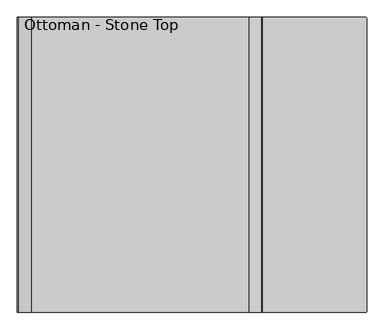
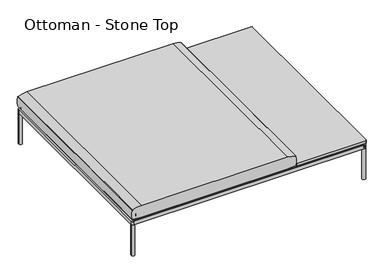
"""IFC4 building model written with IfcOpenShell, lengths in millimetres: furniture geometry, Ottoman - Stone Top."""

from ifc_helpers import new_model, si_unit, point, frame, frame_2d, origin, origin_with_axes, place, context, project, spatial, polyline, circle_curve, trimmed, segment, composite_curve, outline, extrude, source, transform, mapped, element, save
from ifc_brep_helpers import plane_surface, cylinder_surface, advanced_brep


def ottoman_stone_top_fe8f8da9(model_context):
    return source(origin(), model_context, "Body", "SolidModel", [
        extrude(outline(composite_curve([segment(trimmed(circle_curve(frame_2d((492.2547118, 255.27)), 2.54), [point((492.2547118, 257.81))], [point((494.7947118, 255.27))], False, "CARTESIAN"), True, "CONTINUOUS"), segment(polyline([(494.7947118, 255.27), (494.7947118, -839.47)]), True, "CONTINUOUS"), segment(trimmed(circle_curve(frame_2d((492.2547118, -839.47)), 2.54), [point((494.7947118, -839.47))], [point((492.2547118, -842.01))], False, "CARTESIAN"), True, "CONTINUOUS"), segment(polyline([(492.2547118, -842.01), (108.7147118, -842.01)]), True, "CONTINUOUS"), segment(trimmed(circle_curve(frame_2d((108.7147118, -839.47)), 2.54), [point((108.7147118, -842.01))], [point((106.1747118, -839.47))], False, "CARTESIAN"), True, "CONTINUOUS"), segment(polyline([(106.1747118, -839.47), (106.1747118, 255.27)]), True, "CONTINUOUS"), segment(trimmed(circle_curve(frame_2d((108.7147118, 255.27)), 2.54), [point((106.1747118, 255.27))], [point((108.7147118, 257.81))], False, "CARTESIAN"), True, "CONTINUOUS"), segment(polyline([(108.7147118, 257.81), (492.2547118, 257.81)]), True, "CONTINUOUS")], self_intersect=False)), frame((0.0, 0.0, 210.5022953), z_axis=(0.0, 0.0, 1.0), x_axis=(1.0, 0.0, 0.0)), (0.0, 0.0, 1.0), 15.2403071),
        extrude(outline(composite_curve([segment(trimmed(circle_curve(frame_2d((196.9469907, 169.6010815)), 4.010989), [point((192.9360018, 169.6010815))], [point((200.9579797, 169.6010815))], False, "CARTESIAN"), True, "CONTINUOUS"), segment(trimmed(circle_curve(frame_2d((196.9469907, 169.6010815)), 4.010989), [point((200.9579797, 169.6010815))], [point((192.9360018, 169.6010815))], False, "CARTESIAN"), True, "CONTINUOUS")], self_intersect=False)), frame((0.0, 0.0, 170.7645404), z_axis=(0.0, 0.0, 1.0), x_axis=(1.0, 0.0, 0.0)), (0.0, 0.0, 1.0), 38.5977894),
        extrude(outline(composite_curve([segment(trimmed(circle_curve(frame_2d((-3.1055663, 169.5794929)), 4.010989), [point((-7.1165553, 169.5794929))], [point((0.9054227, 169.5794929))], False, "CARTESIAN"), True, "CONTINUOUS"), segment(trimmed(circle_curve(frame_2d((-3.1055663, 169.5794929)), 4.010989), [point((0.9054227, 169.5794929))], [point((-7.1165553, 169.5794929))], False, "CARTESIAN"), True, "CONTINUOUS")], self_intersect=False)), frame((0.0, 0.0, 170.7645404), z_axis=(0.0, 0.0, 1.0), x_axis=(1.0, 0.0, 0.0)), (0.0, 0.0, 1.0), 38.5977894),
        extrude(outline(composite_curve([segment(trimmed(circle_curve(frame_2d((-3.1055663, -754.4437022)), 4.010989), [point((-7.1165553, -754.4437022))], [point((0.9054227, -754.4437022))], False, "CARTESIAN"), True, "CONTINUOUS"), segment(trimmed(circle_curve(frame_2d((-3.1055663, -754.4437022)), 4.010989), [point((0.9054227, -754.4437022))], [point((-7.1165553, -754.4437022))], False, "CARTESIAN"), True, "CONTINUOUS")], self_intersect=False)), frame((0.0, 0.0, 170.7645404), z_axis=(0.0, 0.0, 1.0), x_axis=(1.0, 0.0, 0.0)), (0.0, 0.0, 1.0), 38.5977894),
        extrude(outline(composite_curve([segment(trimmed(circle_curve(frame_2d((196.9593077, -754.4437022)), 4.010989), [point((192.9483187, -754.4437022))], [point((200.9702967, -754.4437022))], False, "CARTESIAN"), True, "CONTINUOUS"), segment(trimmed(circle_curve(frame_2d((196.9593077, -754.4437022)), 4.010989), [point((200.9702967, -754.4437022))], [point((192.9483187, -754.4437022))], False, "CARTESIAN"), True, "CONTINUOUS")], self_intersect=False)), frame((0.0, 0.0, 170.7645404), z_axis=(0.0, 0.0, 1.0), x_axis=(1.0, 0.0, 0.0)), (0.0, 0.0, 1.0), 38.5977894),
        extrude(outline(composite_curve([segment(trimmed(circle_curve(frame_2d((196.9469907, -754.4095964)), 9.4611539), [point((187.4858368, -754.4095964))], [point((206.4081446, -754.4095964))], False, "CARTESIAN"), True, "CONTINUOUS"), segment(trimmed(circle_curve(frame_2d((196.9469907, -754.4095964)), 9.4611539), [point((206.4081446, -754.4095964))], [point((187.4858368, -754.4095964))], False, "CARTESIAN"), True, "CONTINUOUS")], self_intersect=False)), frame((0.0, 0.0, 200.6638055), z_axis=(0.0, 0.0, 1.0), x_axis=(1.0, 0.0, 0.0)), (0.0, 0.0, 1.0), 5.2496237),
        extrude(outline(composite_curve([segment(trimmed(circle_curve(frame_2d((-3.0530108, -754.3457503)), 9.4611539), [point((-12.5141647, -754.3457503))], [point((6.4081431, -754.3457503))], False, "CARTESIAN"), True, "CONTINUOUS"), segment(trimmed(circle_curve(frame_2d((-3.0530108, -754.3457503)), 9.4611539), [point((6.4081431, -754.3457503))], [point((-12.5141647, -754.3457503))], False, "CARTESIAN"), True, "CONTINUOUS")], self_intersect=False)), frame((0.0, 0.0, 200.6638055), z_axis=(0.0, 0.0, 1.0), x_axis=(1.0, 0.0, 0.0)), (0.0, 0.0, 1.0), 5.2496237),
        extrude(outline(composite_curve([segment(trimmed(circle_curve(frame_2d((-3.0530108, 169.6649276)), 9.4611539), [point((-12.5141647, 169.6649276))], [point((6.4081431, 169.6649276))], False, "CARTESIAN"), True, "CONTINUOUS"), segment(trimmed(circle_curve(frame_2d((-3.0530108, 169.6649276)), 9.4611539), [point((6.4081431, 169.6649276))], [point((-12.5141647, 169.6649276))], False, "CARTESIAN"), True, "CONTINUOUS")], self_intersect=False)), frame((0.0, 0.0, 200.6638055), z_axis=(0.0, 0.0, 1.0), x_axis=(1.0, 0.0, 0.0)), (0.0, 0.0, 1.0), 5.2496237),
        extrude(outline(composite_curve([segment(trimmed(circle_curve(frame_2d((196.9469907, 169.6649276)), 9.4611539), [point((187.4858368, 169.6649276))], [point((206.4081446, 169.6649276))], False, "CARTESIAN"), True, "CONTINUOUS"), segment(trimmed(circle_curve(frame_2d((196.9469907, 169.6649276)), 9.4611539), [point((206.4081446, 169.6649276))], [point((187.4858368, 169.6649276))], False, "CARTESIAN"), True, "CONTINUOUS")], self_intersect=False)), frame((0.0, 0.0, 200.6638055), z_axis=(0.0, 0.0, 1.0), x_axis=(1.0, 0.0, 0.0)), (0.0, 0.0, 1.0), 5.2496237),
        extrude(outline(composite_curve([segment(trimmed(circle_curve(frame_2d((196.9469907, -754.4095964)), 9.4611539), [point((187.4858368, -754.4095964))], [point((206.4081446, -754.4095964))], False, "CARTESIAN"), True, "CONTINUOUS"), segment(trimmed(circle_curve(frame_2d((196.9469907, -754.4095964)), 9.4611539), [point((206.4081446, -754.4095964))], [point((187.4858368, -754.4095964))], False, "CARTESIAN"), True, "CONTINUOUS")], self_intersect=False)), frame((0.0, 0.0, 175.5804905), z_axis=(0.0, 0.0, 1.0), x_axis=(1.0, 0.0, 0.0)), (0.0, 0.0, 1.0), 5.2496237),
        extrude(outline(composite_curve([segment(trimmed(circle_curve(frame_2d((-3.0530108, -754.3457503)), 9.4611539), [point((-12.5141647, -754.3457503))], [point((6.4081431, -754.3457503))], False, "CARTESIAN"), True, "CONTINUOUS"), segment(trimmed(circle_curve(frame_2d((-3.0530108, -754.3457503)), 9.4611539), [point((6.4081431, -754.3457503))], [point((-12.5141647, -754.3457503))], False, "CARTESIAN"), True, "CONTINUOUS")], self_intersect=False)), frame((0.0, 0.0, 175.5804905), z_axis=(0.0, 0.0, 1.0), x_axis=(1.0, 0.0, 0.0)), (0.0, 0.0, 1.0), 5.2496237),
        extrude(outline(composite_curve([segment(trimmed(circle_curve(frame_2d((-3.0530108, 169.6649276)), 9.4611539), [point((-12.5141647, 169.6649276))], [point((6.4081431, 169.6649276))], False, "CARTESIAN"), True, "CONTINUOUS"), segment(trimmed(circle_curve(frame_2d((-3.0530108, 169.6649276)), 9.4611539), [point((6.4081431, 169.6649276))], [point((-12.5141647, 169.6649276))], False, "CARTESIAN"), True, "CONTINUOUS")], self_intersect=False)), frame((0.0, 0.0, 175.5804905), z_axis=(0.0, 0.0, 1.0), x_axis=(1.0, 0.0, 0.0)), (0.0, 0.0, 1.0), 5.2496237),
        extrude(outline(composite_curve([segment(trimmed(circle_curve(frame_2d((196.9469907, 169.6649276)), 9.4611539), [point((187.4858368, 169.6649276))], [point((206.4081446, 169.6649276))], False, "CARTESIAN"), True, "CONTINUOUS"), segment(trimmed(circle_curve(frame_2d((196.9469907, 169.6649276)), 9.4611539), [point((206.4081446, 169.6649276))], [point((187.4858368, 169.6649276))], False, "CARTESIAN"), True, "CONTINUOUS")], self_intersect=False)), frame((0.0, 0.0, 175.5804905), z_axis=(0.0, 0.0, 1.0), x_axis=(1.0, 0.0, 0.0)), (0.0, 0.0, 1.0), 5.2496237),
        extrude(outline(composite_curve([segment(trimmed(circle_curve(frame_2d((196.7916573, 122.4736534)), 36.0166924), [point((212.7435269, 154.7651382))], [point((180.8397877, 154.7651382))], True, "CARTESIAN"), True, "CONTINUOUS"), segment(trimmed(circle_curve(frame_2d((180.5081653, 155.6702968)), 0.9639946), [point((180.8397877, 154.7651382))], [point((179.7634816, 155.0581436))], False, "CARTESIAN"), True, "CONTINUOUS"), segment(trimmed(circle_curve(frame_2d((199.6873534, 171.4361863)), 25.79149), [point((179.7634816, 155.0581436))], [point((175.5416164, 162.3706285))], False, "CARTESIAN"), True, "CONTINUOUS"), segment(trimmed(circle_curve(frame_2d((176.4514144, 162.7122137)), 0.971809), [point((175.5416164, 162.3706285))], [point((175.9386844, 163.5377564))], False, "CARTESIAN"), True, "CONTINUOUS"), segment(trimmed(circle_curve(frame_2d((156.3690008, 193.1030042)), 35.4552732), [point((175.9386844, 163.5377564))], [point((191.7580983, 190.9377849))], True, "CARTESIAN"), True, "CONTINUOUS"), segment(trimmed(circle_curve(frame_2d((192.7780635, 190.8643155)), 1.0226079), [point((191.7580983, 190.9377849))], [point((192.5690953, 191.8653446))], False, "CARTESIAN"), True, "CONTINUOUS"), segment(trimmed(circle_curve(frame_2d((196.7916573, 171.6378378)), 20.6635442), [point((192.5690953, 191.8653446))], [point((201.0142193, 191.8653446))], False, "CARTESIAN"), True, "CONTINUOUS"), segment(trimmed(circle_curve(frame_2d((200.805337, 190.8647274)), 1.0221871), [point((201.0142193, 191.8653446))], [point((201.8248918, 190.9380379))], False, "CARTESIAN"), True, "CONTINUOUS"), segment(trimmed(circle_curve(frame_2d((237.9646471, 193.536646)), 36.2330605), [point((201.8248918, 190.9380379))], [point((217.6443089, 163.5380039))], True, "CARTESIAN"), True, "CONTINUOUS"), segment(trimmed(circle_curve(frame_2d((217.0702859, 162.6905815)), 1.0235365), [point((217.6443089, 163.5380039))], [point((218.045337, 162.3792898))], False, "CARTESIAN"), True, "CONTINUOUS"), segment(trimmed(circle_curve(frame_2d((194.579629, 171.0425348)), 25.0138214), [point((218.045337, 162.3792898))], [point((213.8150733, 155.0522582))], False, "CARTESIAN"), True, "CONTINUOUS"), segment(trimmed(circle_curve(frame_2d((213.115827, 155.518788)), 0.8405923), [point((213.8150733, 155.0522582))], [point((212.7435269, 154.7651382))], False, "CARTESIAN"), True, "CONTINUOUS")], self_intersect=False)), frame((0.0, 0.0, 165.7894444), z_axis=(0.0, 0.0, 1.0), x_axis=(1.0, 0.0, 0.0)), (0.0, 0.0, 1.0), 9.7910462),
        extrude(outline(composite_curve([segment(trimmed(circle_curve(frame_2d((-3.0530108, 122.2288136)), 36.0166924), [point((12.8988588, 154.5202984))], [point((-19.0048804, 154.5202984))], True, "CARTESIAN"), True, "CONTINUOUS"), segment(trimmed(circle_curve(frame_2d((-19.3365028, 155.425457)), 0.9639946), [point((-19.0048804, 154.5202984))], [point((-20.0811865, 154.8133038))], False, "CARTESIAN"), True, "CONTINUOUS"), segment(trimmed(circle_curve(frame_2d((-0.1573146, 171.1913465)), 25.79149), [point((-20.0811865, 154.8133038))], [point((-24.3030517, 162.1257887))], False, "CARTESIAN"), True, "CONTINUOUS"), segment(trimmed(circle_curve(frame_2d((-23.3932537, 162.4673739)), 0.971809), [point((-24.3030517, 162.1257887))], [point((-23.9059837, 163.2929166))], False, "CARTESIAN"), True, "CONTINUOUS"), segment(trimmed(circle_curve(frame_2d((-43.4756673, 192.8581644)), 35.4552732), [point((-23.9059837, 163.2929166))], [point((-8.0865698, 190.6929451))], True, "CARTESIAN"), True, "CONTINUOUS"), segment(trimmed(circle_curve(frame_2d((-7.0666045, 190.6194757)), 1.0226079), [point((-8.0865698, 190.6929451))], [point((-7.2755728, 191.6205048))], False, "CARTESIAN"), True, "CONTINUOUS"), segment(trimmed(circle_curve(frame_2d((-3.0530108, 171.392998)), 20.6635442), [point((-7.2755728, 191.6205048))], [point((1.1695512, 191.6205048))], False, "CARTESIAN"), True, "CONTINUOUS"), segment(trimmed(circle_curve(frame_2d((0.960669, 190.6198877)), 1.0221871), [point((1.1695512, 191.6205048))], [point((1.9802238, 190.6931981))], False, "CARTESIAN"), True, "CONTINUOUS"), segment(trimmed(circle_curve(frame_2d((38.119979, 193.2918062)), 36.2330605), [point((1.9802238, 190.6931981))], [point((17.7996408, 163.2931641))], True, "CARTESIAN"), True, "CONTINUOUS"), segment(trimmed(circle_curve(frame_2d((17.2256179, 162.4457417)), 1.0235365), [point((17.7996408, 163.2931641))], [point((18.2006689, 162.13445))], False, "CARTESIAN"), True, "CONTINUOUS"), segment(trimmed(circle_curve(frame_2d((-5.265039, 170.797695)), 25.0138214), [point((18.2006689, 162.13445))], [point((13.9704052, 154.8074184))], False, "CARTESIAN"), True, "CONTINUOUS"), segment(trimmed(circle_curve(frame_2d((13.2711589, 155.2739482)), 0.8405923), [point((13.9704052, 154.8074184))], [point((12.8988588, 154.5202984))], False, "CARTESIAN"), True, "CONTINUOUS")], self_intersect=False)), frame((0.0, 0.0, 165.7894444), z_axis=(0.0, 0.0, 1.0), x_axis=(1.0, 0.0, 0.0)), (0.0, 0.0, 1.0), 9.7910462),
        extrude(outline(composite_curve([segment(trimmed(circle_curve(frame_2d((-3.0530108, -801.7818643)), 36.0166924), [point((12.8988588, -769.4903795))], [point((-19.0048804, -769.4903795))], True, "CARTESIAN"), True, "CONTINUOUS"), segment(trimmed(circle_curve(frame_2d((-19.3365028, -768.5852209)), 0.9639946), [point((-19.0048804, -769.4903795))], [point((-20.0811865, -769.1973741))], False, "CARTESIAN"), True, "CONTINUOUS"), segment(trimmed(circle_curve(frame_2d((-0.1573146, -752.8193314)), 25.79149), [point((-20.0811865, -769.1973741))], [point((-24.3030517, -761.8848892))], False, "CARTESIAN"), True, "CONTINUOUS"), segment(trimmed(circle_curve(frame_2d((-23.3932537, -761.543304)), 0.971809), [point((-24.3030517, -761.8848892))], [point((-23.9059837, -760.7177613))], False, "CARTESIAN"), True, "CONTINUOUS"), segment(trimmed(circle_curve(frame_2d((-43.4756673, -731.1525135)), 35.4552732), [point((-23.9059837, -760.7177613))], [point((-8.0865698, -733.3177328))], True, "CARTESIAN"), True, "CONTINUOUS"), segment(trimmed(circle_curve(frame_2d((-7.0666045, -733.3912022)), 1.0226079), [point((-8.0865698, -733.3177328))], [point((-7.2755728, -732.3901731))], False, "CARTESIAN"), True, "CONTINUOUS"), segment(trimmed(circle_curve(frame_2d((-3.0530108, -752.6176799)), 20.6635442), [point((-7.2755728, -732.3901731))], [point((1.1695512, -732.3901731))], False, "CARTESIAN"), True, "CONTINUOUS"), segment(trimmed(circle_curve(frame_2d((0.960669, -733.3907903)), 1.0221871), [point((1.1695512, -732.3901731))], [point((1.9802238, -733.3174798))], False, "CARTESIAN"), True, "CONTINUOUS"), segment(trimmed(circle_curve(frame_2d((38.119979, -730.7188717)), 36.2330605), [point((1.9802238, -733.3174798))], [point((17.7996408, -760.7175138))], True, "CARTESIAN"), True, "CONTINUOUS"), segment(trimmed(circle_curve(frame_2d((17.2256179, -761.5649362)), 1.0235365), [point((17.7996408, -760.7175138))], [point((18.2006689, -761.8762279))], False, "CARTESIAN"), True, "CONTINUOUS"), segment(trimmed(circle_curve(frame_2d((-5.265039, -753.2129829)), 25.0138214), [point((18.2006689, -761.8762279))], [point((13.9704052, -769.2032595))], False, "CARTESIAN"), True, "CONTINUOUS"), segment(trimmed(circle_curve(frame_2d((13.2711589, -768.7367297)), 0.8405923), [point((13.9704052, -769.2032595))], [point((12.8988588, -769.4903795))], False, "CARTESIAN"), True, "CONTINUOUS")], self_intersect=False)), frame((0.0, 0.0, 165.7894444), z_axis=(0.0, 0.0, 1.0), x_axis=(1.0, 0.0, 0.0)), (0.0, 0.0, 1.0), 9.7910462),
        extrude(outline(composite_curve([segment(trimmed(circle_curve(frame_2d((196.9469907, -801.7818643)), 36.0166924), [point((212.8988603, -769.4903795))], [point((180.9951211, -769.4903795))], True, "CARTESIAN"), True, "CONTINUOUS"), segment(trimmed(circle_curve(frame_2d((180.6634988, -768.5852209)), 0.9639946), [point((180.9951211, -769.4903795))], [point((179.918815, -769.1973741))], False, "CARTESIAN"), True, "CONTINUOUS"), segment(trimmed(circle_curve(frame_2d((199.8426869, -752.8193314)), 25.79149), [point((179.918815, -769.1973741))], [point((175.6969499, -761.8848892))], False, "CARTESIAN"), True, "CONTINUOUS"), segment(trimmed(circle_curve(frame_2d((176.6067478, -761.543304)), 0.971809), [point((175.6969499, -761.8848892))], [point((176.0940178, -760.7177613))], False, "CARTESIAN"), True, "CONTINUOUS"), segment(trimmed(circle_curve(frame_2d((156.5243342, -731.1525135)), 35.4552732), [point((176.0940178, -760.7177613))], [point((191.9134317, -733.3177328))], True, "CARTESIAN"), True, "CONTINUOUS"), segment(trimmed(circle_curve(frame_2d((192.933397, -733.3912022)), 1.0226079), [point((191.9134317, -733.3177328))], [point((192.7244287, -732.3901731))], False, "CARTESIAN"), True, "CONTINUOUS"), segment(trimmed(circle_curve(frame_2d((196.9469907, -752.6176799)), 20.6635442), [point((192.7244287, -732.3901731))], [point((201.1695528, -732.3901731))], False, "CARTESIAN"), True, "CONTINUOUS"), segment(trimmed(circle_curve(frame_2d((200.9606705, -733.3907903)), 1.0221871), [point((201.1695528, -732.3901731))], [point((201.9802253, -733.3174798))], False, "CARTESIAN"), True, "CONTINUOUS"), segment(trimmed(circle_curve(frame_2d((238.1199805, -730.7188717)), 36.2330605), [point((201.9802253, -733.3174798))], [point((217.7996423, -760.7175138))], True, "CARTESIAN"), True, "CONTINUOUS"), segment(trimmed(circle_curve(frame_2d((217.2256194, -761.5649362)), 1.0235365), [point((217.7996423, -760.7175138))], [point((218.2006704, -761.8762279))], False, "CARTESIAN"), True, "CONTINUOUS"), segment(trimmed(circle_curve(frame_2d((194.7349625, -753.2129829)), 25.0138214), [point((218.2006704, -761.8762279))], [point((213.9704067, -769.2032595))], False, "CARTESIAN"), True, "CONTINUOUS"), segment(trimmed(circle_curve(frame_2d((213.2711605, -768.7367297)), 0.8405923), [point((213.9704067, -769.2032595))], [point((212.8988603, -769.4903795))], False, "CARTESIAN"), True, "CONTINUOUS")], self_intersect=False)), frame((0.0, 0.0, 165.7894444), z_axis=(0.0, 0.0, 1.0), x_axis=(1.0, 0.0, 0.0)), (0.0, 0.0, 1.0), 9.7910462),
        extrude(outline(composite_curve([segment(trimmed(circle_curve(frame_2d((-793.7438099, 245.8600121)), 1.9413078), [point((-795.6851177, 245.8600121))], [point((-793.7438099, 247.8013198))], False, "CARTESIAN"), True, "CONTINUOUS"), segment(polyline([(-793.7438099, 247.8013198), (482.7909315, 247.8013198)]), True, "CONTINUOUS"), segment(trimmed(circle_curve(frame_2d((482.7909315, 245.7941911)), 2.0071288), [point((482.7909315, 247.8013198))], [point((484.7980603, 245.7941911))], False, "CARTESIAN"), True, "CONTINUOUS"), segment(polyline([(484.7980603, 245.7941911), (484.7980603, -830.0202885)]), True, "CONTINUOUS"), segment(trimmed(circle_curve(frame_2d((482.7963356, -830.0202885)), 2.0017246), [point((484.7980603, -830.0202885))], [point((482.7963356, -832.0220131))], False, "CARTESIAN"), True, "CONTINUOUS"), segment(polyline([(482.7963356, -832.0220131), (-793.6865391, -832.0220131)]), True, "CONTINUOUS"), segment(trimmed(circle_curve(frame_2d((-793.6865391, -830.0234345)), 1.9985786), [point((-793.6865391, -832.0220131))], [point((-795.6851177, -830.0234345))], False, "CARTESIAN"), True, "CONTINUOUS"), segment(polyline([(-795.6851177, -830.0234345), (-795.6851177, 245.8600121)]), True, "CONTINUOUS")], self_intersect=False)), frame((0.0, 0.0, 200.6639327), z_axis=(0.0, 0.0, 1.0), x_axis=(1.0, 0.0, 0.0)), (0.0, 0.0, 1.0), 8.6983971),
        extrude(outline(composite_curve([segment(trimmed(circle_curve(frame_2d((-734.5485908, -768.4918899)), 0.8405923), [point((-734.1762907, -769.2455397))], [point((-735.2478371, -768.9584197))], False, "CARTESIAN"), True, "CONTINUOUS"), segment(trimmed(circle_curve(frame_2d((-716.0123929, -752.9681431)), 25.0138214), [point((-735.2478371, -768.9584197))], [point((-739.4781008, -761.6313881))], False, "CARTESIAN"), True, "CONTINUOUS"), segment(trimmed(circle_curve(frame_2d((-738.5030497, -761.3200964)), 1.0235365), [point((-739.4781008, -761.6313881))], [point((-739.0770727, -760.472674))], False, "CARTESIAN"), True, "CONTINUOUS"), segment(trimmed(circle_curve(frame_2d((-759.3974109, -730.4740319)), 36.2330605), [point((-739.0770727, -760.472674))], [point((-723.2576556, -733.07264))], True, "CARTESIAN"), True, "CONTINUOUS"), segment(trimmed(circle_curve(frame_2d((-722.2381008, -733.1459505)), 1.0221871), [point((-723.2576556, -733.07264))], [point((-722.4469831, -732.1453333))], False, "CARTESIAN"), True, "CONTINUOUS"), segment(trimmed(circle_curve(frame_2d((-718.2244211, -752.3728401)), 20.6635442), [point((-722.4469831, -732.1453333))], [point((-714.0018591, -732.1453333))], False, "CARTESIAN"), True, "CONTINUOUS"), segment(trimmed(circle_curve(frame_2d((-714.2108273, -733.1463624)), 1.0226079), [point((-714.0018591, -732.1453333))], [point((-713.1908621, -733.072893))], False, "CARTESIAN"), True, "CONTINUOUS"), segment(trimmed(circle_curve(frame_2d((-677.8017646, -730.9076737)), 35.4552732), [point((-713.1908621, -733.072893))], [point((-697.3714482, -760.4729215))], True, "CARTESIAN"), True, "CONTINUOUS"), segment(trimmed(circle_curve(frame_2d((-697.8841782, -761.2984642)), 0.971809), [point((-697.3714482, -760.4729215))], [point((-696.9743802, -761.6400494))], False, "CARTESIAN"), True, "CONTINUOUS"), segment(trimmed(circle_curve(frame_2d((-721.1201172, -752.5744916)), 25.79149), [point((-696.9743802, -761.6400494))], [point((-701.1962454, -768.9525343))], False, "CARTESIAN"), True, "CONTINUOUS"), segment(trimmed(circle_curve(frame_2d((-701.9409291, -768.3403811)), 0.9639946), [point((-701.1962454, -768.9525343))], [point((-702.2725515, -769.2455397))], False, "CARTESIAN"), True, "CONTINUOUS"), segment(trimmed(circle_curve(frame_2d((-718.2244211, -801.5370245)), 36.0166924), [point((-702.2725515, -769.2455397))], [point((-734.1762907, -769.2455397))], True, "CARTESIAN"), True, "CONTINUOUS")], self_intersect=False)), frame((0.0, 0.0, 165.7894444), z_axis=(0.0, 0.0, 1.0), x_axis=(1.0, 0.0, 0.0)), (0.0, 0.0, 1.0), 9.7910462),
        extrude(outline(composite_curve([segment(trimmed(circle_curve(frame_2d((-718.2242758, -754.2455832)), 3.9922173), [point((-714.2320585, -754.2455832))], [point((-722.216493, -754.2455832))], False, "CARTESIAN"), True, "CONTINUOUS"), segment(trimmed(circle_curve(frame_2d((-718.2242758, -754.2455832)), 3.9922173), [point((-722.216493, -754.2455832))], [point((-714.2320585, -754.2455832))], False, "CARTESIAN"), True, "CONTINUOUS")], self_intersect=False)), frame((0.0, 0.0, 170.7645404), z_axis=(0.0, 0.0, 1.0), x_axis=(1.0, 0.0, 0.0)), (0.0, 0.0, 1.0), 38.5901772),
        extrude(outline(composite_curve([segment(trimmed(circle_curve(frame_2d((-718.2242758, -754.2455832)), 9.4525726), [point((-708.7717031, -754.2455832))], [point((-727.6768484, -754.2455832))], False, "CARTESIAN"), True, "CONTINUOUS"), segment(trimmed(circle_curve(frame_2d((-718.2242758, -754.2455832)), 9.4525726), [point((-727.6768484, -754.2455832))], [point((-708.7717031, -754.2455832))], False, "CARTESIAN"), True, "CONTINUOUS")], self_intersect=False)), frame((0.0, 0.0, 200.6639145), z_axis=(0.0, 0.0, 1.0), x_axis=(1.0, 0.0, 0.0)), (0.0, 0.0, 1.0), 5.0787766),
        extrude(outline(composite_curve([segment(trimmed(circle_curve(frame_2d((-718.2242758, -754.2455832)), 9.4525726), [point((-708.7717031, -754.2455832))], [point((-727.6768484, -754.2455832))], False, "CARTESIAN"), True, "CONTINUOUS"), segment(trimmed(circle_curve(frame_2d((-718.2242758, -754.2455832)), 9.4525726), [point((-727.6768484, -754.2455832))], [point((-708.7717031, -754.2455832))], False, "CARTESIAN"), True, "CONTINUOUS")], self_intersect=False)), frame((0.0, 0.0, 175.5804905), z_axis=(0.0, 0.0, 1.0), x_axis=(1.0, 0.0, 0.0)), (0.0, 0.0, 1.0), 5.0787766),
        extrude(outline(composite_curve([segment(trimmed(circle_curve(frame_2d((396.8166573, -801.5370245)), 36.0166924), [point((412.7685269, -769.2455397))], [point((380.8647877, -769.2455397))], True, "CARTESIAN"), True, "CONTINUOUS"), segment(trimmed(circle_curve(frame_2d((380.5331653, -768.3403811)), 0.9639946), [point((380.8647877, -769.2455397))], [point((379.7884816, -768.9525343))], False, "CARTESIAN"), True, "CONTINUOUS"), segment(trimmed(circle_curve(frame_2d((399.7123534, -752.5744916)), 25.79149), [point((379.7884816, -768.9525343))], [point((375.5666164, -761.6400494))], False, "CARTESIAN"), True, "CONTINUOUS"), segment(trimmed(circle_curve(frame_2d((376.4764144, -761.2984642)), 0.971809), [point((375.5666164, -761.6400494))], [point((375.9636844, -760.4729215))], False, "CARTESIAN"), True, "CONTINUOUS"), segment(trimmed(circle_curve(frame_2d((356.3940008, -730.9076737)), 35.4552732), [point((375.9636844, -760.4729215))], [point((391.7830983, -733.072893))], True, "CARTESIAN"), True, "CONTINUOUS"), segment(trimmed(circle_curve(frame_2d((392.8030635, -733.1463624)), 1.0226079), [point((391.7830983, -733.072893))], [point((392.5940953, -732.1453333))], False, "CARTESIAN"), True, "CONTINUOUS"), segment(trimmed(circle_curve(frame_2d((396.8166573, -752.3728401)), 20.6635442), [point((392.5940953, -732.1453333))], [point((401.0392193, -732.1453333))], False, "CARTESIAN"), True, "CONTINUOUS"), segment(trimmed(circle_curve(frame_2d((400.830337, -733.1459505)), 1.0221871), [point((401.0392193, -732.1453333))], [point((401.8498918, -733.07264))], False, "CARTESIAN"), True, "CONTINUOUS"), segment(trimmed(circle_curve(frame_2d((437.9896471, -730.4740319)), 36.2330605), [point((401.8498918, -733.07264))], [point((417.6693089, -760.472674))], True, "CARTESIAN"), True, "CONTINUOUS"), segment(trimmed(circle_curve(frame_2d((417.0952859, -761.3200964)), 1.0235365), [point((417.6693089, -760.472674))], [point((418.070337, -761.6313881))], False, "CARTESIAN"), True, "CONTINUOUS"), segment(trimmed(circle_curve(frame_2d((394.604629, -752.9681431)), 25.0138214), [point((418.070337, -761.6313881))], [point((413.8400733, -768.9584197))], False, "CARTESIAN"), True, "CONTINUOUS"), segment(trimmed(circle_curve(frame_2d((413.140827, -768.4918899)), 0.8405923), [point((413.8400733, -768.9584197))], [point((412.7685269, -769.2455397))], False, "CARTESIAN"), True, "CONTINUOUS")], self_intersect=False)), frame((0.0, 0.0, 165.7894444), z_axis=(0.0, 0.0, 1.0), x_axis=(1.0, 0.0, 0.0)), (0.0, 0.0, 1.0), 9.7910462),
        extrude(outline(composite_curve([segment(trimmed(circle_curve(frame_2d((396.816512, -754.2455832)), 3.9922173), [point((392.8242947, -754.2455832))], [point((400.8087292, -754.2455832))], False, "CARTESIAN"), True, "CONTINUOUS"), segment(trimmed(circle_curve(frame_2d((396.816512, -754.2455832)), 3.9922173), [point((400.8087292, -754.2455832))], [point((392.8242947, -754.2455832))], False, "CARTESIAN"), True, "CONTINUOUS")], self_intersect=False)), frame((0.0, 0.0, 170.7645404), z_axis=(0.0, 0.0, 1.0), x_axis=(1.0, 0.0, 0.0)), (0.0, 0.0, 1.0), 38.5901772),
        extrude(outline(composite_curve([segment(trimmed(circle_curve(frame_2d((396.816512, -754.2455832)), 9.4525726), [point((387.3639393, -754.2455832))], [point((406.2690846, -754.2455832))], False, "CARTESIAN"), True, "CONTINUOUS"), segment(trimmed(circle_curve(frame_2d((396.816512, -754.2455832)), 9.4525726), [point((406.2690846, -754.2455832))], [point((387.3639393, -754.2455832))], False, "CARTESIAN"), True, "CONTINUOUS")], self_intersect=False)), frame((0.0, 0.0, 200.6639145), z_axis=(0.0, 0.0, 1.0), x_axis=(1.0, 0.0, 0.0)), (0.0, 0.0, 1.0), 5.0787766),
        extrude(outline(composite_curve([segment(trimmed(circle_curve(frame_2d((396.816512, -754.2455832)), 9.4525726), [point((387.3639393, -754.2455832))], [point((406.2690846, -754.2455832))], False, "CARTESIAN"), True, "CONTINUOUS"), segment(trimmed(circle_curve(frame_2d((396.816512, -754.2455832)), 9.4525726), [point((406.2690846, -754.2455832))], [point((387.3639393, -754.2455832))], False, "CARTESIAN"), True, "CONTINUOUS")], self_intersect=False)), frame((0.0, 0.0, 175.5804905), z_axis=(0.0, 0.0, 1.0), x_axis=(1.0, 0.0, 0.0)), (0.0, 0.0, 1.0), 5.0787766),
        extrude(outline(composite_curve([segment(trimmed(circle_curve(frame_2d((-734.5485908, 155.518788)), 0.8405923), [point((-734.1762907, 154.7651382))], [point((-735.2478371, 155.0522582))], False, "CARTESIAN"), True, "CONTINUOUS"), segment(trimmed(circle_curve(frame_2d((-716.0123929, 171.0425348)), 25.0138214), [point((-735.2478371, 155.0522582))], [point((-739.4781008, 162.3792898))], False, "CARTESIAN"), True, "CONTINUOUS"), segment(trimmed(circle_curve(frame_2d((-738.5030497, 162.6905815)), 1.0235365), [point((-739.4781008, 162.3792898))], [point((-739.0770727, 163.5380039))], False, "CARTESIAN"), True, "CONTINUOUS"), segment(trimmed(circle_curve(frame_2d((-759.3974109, 193.536646)), 36.2330605), [point((-739.0770727, 163.5380039))], [point((-723.2576556, 190.9380379))], True, "CARTESIAN"), True, "CONTINUOUS"), segment(trimmed(circle_curve(frame_2d((-722.2381008, 190.8647274)), 1.0221871), [point((-723.2576556, 190.9380379))], [point((-722.4469831, 191.8653446))], False, "CARTESIAN"), True, "CONTINUOUS"), segment(trimmed(circle_curve(frame_2d((-718.2244211, 171.6378378)), 20.6635442), [point((-722.4469831, 191.8653446))], [point((-714.0018591, 191.8653446))], False, "CARTESIAN"), True, "CONTINUOUS"), segment(trimmed(circle_curve(frame_2d((-714.2108273, 190.8643155)), 1.0226079), [point((-714.0018591, 191.8653446))], [point((-713.1908621, 190.9377849))], False, "CARTESIAN"), True, "CONTINUOUS"), segment(trimmed(circle_curve(frame_2d((-677.8017646, 193.1030042)), 35.4552732), [point((-713.1908621, 190.9377849))], [point((-697.3714482, 163.5377564))], True, "CARTESIAN"), True, "CONTINUOUS"), segment(trimmed(circle_curve(frame_2d((-697.8841782, 162.7122137)), 0.971809), [point((-697.3714482, 163.5377564))], [point((-696.9743802, 162.3706285))], False, "CARTESIAN"), True, "CONTINUOUS"), segment(trimmed(circle_curve(frame_2d((-721.1201172, 171.4361863)), 25.79149), [point((-696.9743802, 162.3706285))], [point((-701.1962454, 155.0581436))], False, "CARTESIAN"), True, "CONTINUOUS"), segment(trimmed(circle_curve(frame_2d((-701.9409291, 155.6702968)), 0.9639946), [point((-701.1962454, 155.0581436))], [point((-702.2725515, 154.7651382))], False, "CARTESIAN"), True, "CONTINUOUS"), segment(trimmed(circle_curve(frame_2d((-718.2244211, 122.4736534)), 36.0166924), [point((-702.2725515, 154.7651382))], [point((-734.1762907, 154.7651382))], True, "CARTESIAN"), True, "CONTINUOUS")], self_intersect=False)), frame((0.0, 0.0, 165.7894444), z_axis=(0.0, 0.0, 1.0), x_axis=(1.0, 0.0, 0.0)), (0.0, 0.0, 1.0), 9.7910462),
        extrude(outline(composite_curve([segment(trimmed(circle_curve(frame_2d((-718.2242758, 169.7650947)), 3.9922173), [point((-714.2320585, 169.7650947))], [point((-722.216493, 169.7650947))], False, "CARTESIAN"), True, "CONTINUOUS"), segment(trimmed(circle_curve(frame_2d((-718.2242758, 169.7650947)), 3.9922173), [point((-722.216493, 169.7650947))], [point((-714.2320585, 169.7650947))], False, "CARTESIAN"), True, "CONTINUOUS")], self_intersect=False)), frame((0.0, 0.0, 170.7645404), z_axis=(0.0, 0.0, 1.0), x_axis=(1.0, 0.0, 0.0)), (0.0, 0.0, 1.0), 38.5901772),
        extrude(outline(composite_curve([segment(trimmed(circle_curve(frame_2d((-718.2242758, 169.7650947)), 9.4525726), [point((-708.7717031, 169.7650947))], [point((-727.6768484, 169.7650947))], False, "CARTESIAN"), True, "CONTINUOUS"), segment(trimmed(circle_curve(frame_2d((-718.2242758, 169.7650947)), 9.4525726), [point((-727.6768484, 169.7650947))], [point((-708.7717031, 169.7650947))], False, "CARTESIAN"), True, "CONTINUOUS")], self_intersect=False)), frame((0.0, 0.0, 200.6639145), z_axis=(0.0, 0.0, 1.0), x_axis=(1.0, 0.0, 0.0)), (0.0, 0.0, 1.0), 5.0787766),
        extrude(outline(composite_curve([segment(trimmed(circle_curve(frame_2d((-718.2242758, 169.7650947)), 9.4525726), [point((-708.7717031, 169.7650947))], [point((-727.6768484, 169.7650947))], False, "CARTESIAN"), True, "CONTINUOUS"), segment(trimmed(circle_curve(frame_2d((-718.2242758, 169.7650947)), 9.4525726), [point((-727.6768484, 169.7650947))], [point((-708.7717031, 169.7650947))], False, "CARTESIAN"), True, "CONTINUOUS")], self_intersect=False)), frame((0.0, 0.0, 175.5804905), z_axis=(0.0, 0.0, 1.0), x_axis=(1.0, 0.0, 0.0)), (0.0, 0.0, 1.0), 5.0787766),
        advanced_brep(
        [(387.3639393, 169.7650947, 180.6592671), (406.2690846, 169.7650947, 180.6592671), (400.8087292, 169.7650947, 180.6592671), (392.8242947, 169.7650947, 180.6592671), (387.3639393, 169.7650947, 175.5804905), (406.2690846, 169.7650947, 175.5804905), (392.8242947, 169.7650947, 175.5804905), (400.8087292, 169.7650947, 175.5804905), (387.3639393, 169.7650947, 205.742691), (406.2690846, 169.7650947, 205.742691), (400.8087292, 169.7650947, 205.742691), (392.8242947, 169.7650947, 205.742691), (387.3639393, 169.7650947, 200.6639145), (406.2690846, 169.7650947, 200.6639145), (392.8242947, 169.7650947, 200.6639145), (400.8087292, 169.7650947, 200.6639145), (392.8242947, 169.7650947, 209.3547176), (400.8087292, 169.7650947, 209.3547176), (392.8242947, 169.7650947, 170.7645404), (400.8087292, 169.7650947, 170.7645404)],
        [
            (0, 1, circle_curve(frame((396.816512, 169.7650947, 180.6592671), z_axis=(0.0, 0.0, 1.0), x_axis=(1.0, 0.0, 0.0)), 9.4525726)),
            (1, 0, circle_curve(frame((396.816512, 169.7650947, 180.6592671), z_axis=(0.0, 0.0, 1.0), x_axis=(1.0, 0.0, 0.0)), 9.4525726)),
            (2, 3, circle_curve(frame((396.816512, 169.7650947, 180.6592671), z_axis=(0.0, 0.0, -1.0), x_axis=(1.0, 0.0, 0.0)), 3.9922173)),
            (3, 2, circle_curve(frame((396.816512, 169.7650947, 180.6592671), z_axis=(0.0, 0.0, -1.0), x_axis=(1.0, 0.0, 0.0)), 3.9922173)),
            (4, 5, circle_curve(frame((396.816512, 169.7650947, 175.5804905), z_axis=(0.0, 0.0, -1.0), x_axis=(1.0, 0.0, 0.0)), 9.4525726)),
            (5, 4, circle_curve(frame((396.816512, 169.7650947, 175.5804905), z_axis=(0.0, 0.0, -1.0), x_axis=(1.0, 0.0, 0.0)), 9.4525726)),
            (6, 7, circle_curve(frame((396.816512, 169.7650947, 175.5804905), z_axis=(0.0, 0.0, 1.0), x_axis=(1.0, 0.0, 0.0)), 3.9922173)),
            (7, 6, circle_curve(frame((396.816512, 169.7650947, 175.5804905), z_axis=(0.0, 0.0, 1.0), x_axis=(1.0, 0.0, 0.0)), 3.9922173)),
            (0, 4),
            (5, 1),
            (8, 9, circle_curve(frame((396.816512, 169.7650947, 205.742691), z_axis=(0.0, 0.0, 1.0), x_axis=(1.0, 0.0, 0.0)), 9.4525726)),
            (9, 8, circle_curve(frame((396.816512, 169.7650947, 205.742691), z_axis=(0.0, 0.0, 1.0), x_axis=(1.0, 0.0, 0.0)), 9.4525726)),
            (10, 11, circle_curve(frame((396.816512, 169.7650947, 205.742691), z_axis=(0.0, 0.0, -1.0), x_axis=(1.0, 0.0, 0.0)), 3.9922173)),
            (11, 10, circle_curve(frame((396.816512, 169.7650947, 205.742691), z_axis=(0.0, 0.0, -1.0), x_axis=(1.0, 0.0, 0.0)), 3.9922173)),
            (12, 13, circle_curve(frame((396.816512, 169.7650947, 200.6639145), z_axis=(0.0, 0.0, -1.0), x_axis=(1.0, 0.0, 0.0)), 9.4525726)),
            (13, 12, circle_curve(frame((396.816512, 169.7650947, 200.6639145), z_axis=(0.0, 0.0, -1.0), x_axis=(1.0, 0.0, 0.0)), 9.4525726)),
            (14, 15, circle_curve(frame((396.816512, 169.7650947, 200.6639145), z_axis=(0.0, 0.0, 1.0), x_axis=(1.0, 0.0, 0.0)), 3.9922173)),
            (15, 14, circle_curve(frame((396.816512, 169.7650947, 200.6639145), z_axis=(0.0, 0.0, 1.0), x_axis=(1.0, 0.0, 0.0)), 3.9922173)),
            (8, 12),
            (13, 9),
            (16, 17, circle_curve(frame((396.816512, 169.7650947, 209.3547176), z_axis=(0.0, 0.0, 1.0), x_axis=(1.0, 0.0, 0.0)), 3.9922173)),
            (17, 16, circle_curve(frame((396.816512, 169.7650947, 209.3547176), z_axis=(0.0, 0.0, 1.0), x_axis=(1.0, 0.0, 0.0)), 3.9922173)),
            (18, 19, circle_curve(frame((396.816512, 169.7650947, 170.7645404), z_axis=(0.0, 0.0, -1.0), x_axis=(1.0, 0.0, 0.0)), 3.9922173)),
            (19, 18, circle_curve(frame((396.816512, 169.7650947, 170.7645404), z_axis=(0.0, 0.0, -1.0), x_axis=(1.0, 0.0, 0.0)), 3.9922173)),
            (16, 11),
            (10, 17),
            (19, 7),
            (6, 18),
            (14, 3),
            (2, 15),
        ],
        [
            plane_surface(frame((406.2690846, 169.7650947, 180.6592671), z_axis=(0.0, 0.0, 1.0), x_axis=(0.0, 1.0, 0.0))),
            plane_surface(frame((406.2690846, 169.7650947, 175.5804905), z_axis=(0.0, 0.0, -1.0), x_axis=(0.0, -1.0, 0.0))),
            cylinder_surface(frame((396.816512, 169.7650947, 175.5804905), z_axis=(0.0, 0.0, 1.0), x_axis=(1.0, 0.0, 0.0)), 9.4525726),
            plane_surface(frame((406.2690846, 169.7650947, 205.742691), z_axis=(0.0, 0.0, 1.0), x_axis=(0.0, 1.0, 0.0))),
            plane_surface(frame((406.2690846, 169.7650947, 200.6639145), z_axis=(0.0, 0.0, -1.0), x_axis=(0.0, -1.0, 0.0))),
            cylinder_surface(frame((396.816512, 169.7650947, 200.6639145), z_axis=(0.0, 0.0, 1.0), x_axis=(1.0, 0.0, 0.0)), 9.4525726),
            plane_surface(frame((400.8087292, 169.7650947, 209.3547176), z_axis=(0.0, 0.0, 1.0), x_axis=(0.0, 1.0, 0.0))),
            plane_surface(frame((400.8087292, 169.7650947, 170.7645404), z_axis=(0.0, 0.0, -1.0), x_axis=(0.0, -1.0, 0.0))),
            cylinder_surface(frame((396.816512, 169.7650947, 170.7645404), z_axis=(0.0, 0.0, 1.0), x_axis=(1.0, 0.0, 0.0)), 3.9922173),
        ],
        [
            (0, [[1, 2], [3, 4]]),
            (1, [[5, 6], [7, 8]]),
            (2, [[-1, 9, -6, 10]]),
            (2, [[-2, -10, -5, -9]]),
            (3, [[11, 12], [13, 14]]),
            (4, [[15, 16], [17, 18]]),
            (5, [[-11, 19, -16, 20]]),
            (5, [[-12, -20, -15, -19]]),
            (6, [[21, 22]]),
            (7, [[23, 24]]),
            (8, [[-21, 25, -13, 26]]),
            (8, [[-24, 27, -7, 28]]),
            (8, [[29, -3, 30, -17]]),
            (8, [[-22, -26, -14, -25]]),
            (8, [[-23, -28, -8, -27]]),
            (8, [[-29, -18, -30, -4]]),
        ],
    ),
        extrude(outline(composite_curve([segment(trimmed(circle_curve(frame_2d((396.8166573, 122.4736534)), 36.0166924), [point((412.7685269, 154.7651382))], [point((380.8647877, 154.7651382))], True, "CARTESIAN"), True, "CONTINUOUS"), segment(trimmed(circle_curve(frame_2d((380.5331653, 155.6702968)), 0.9639946), [point((380.8647877, 154.7651382))], [point((379.7884816, 155.0581436))], False, "CARTESIAN"), True, "CONTINUOUS"), segment(trimmed(circle_curve(frame_2d((399.7123534, 171.4361863)), 25.79149), [point((379.7884816, 155.0581436))], [point((375.5666164, 162.3706285))], False, "CARTESIAN"), True, "CONTINUOUS"), segment(trimmed(circle_curve(frame_2d((376.4764144, 162.7122137)), 0.971809), [point((375.5666164, 162.3706285))], [point((375.9636844, 163.5377564))], False, "CARTESIAN"), True, "CONTINUOUS"), segment(trimmed(circle_curve(frame_2d((356.3940008, 193.1030042)), 35.4552732), [point((375.9636844, 163.5377564))], [point((391.7830983, 190.9377849))], True, "CARTESIAN"), True, "CONTINUOUS"), segment(trimmed(circle_curve(frame_2d((392.8030635, 190.8643155)), 1.0226079), [point((391.7830983, 190.9377849))], [point((392.5940953, 191.8653446))], False, "CARTESIAN"), True, "CONTINUOUS"), segment(trimmed(circle_curve(frame_2d((396.8166573, 171.6378378)), 20.6635442), [point((392.5940953, 191.8653446))], [point((401.0392193, 191.8653446))], False, "CARTESIAN"), True, "CONTINUOUS"), segment(trimmed(circle_curve(frame_2d((400.830337, 190.8647274)), 1.0221871), [point((401.0392193, 191.8653446))], [point((401.8498918, 190.9380379))], False, "CARTESIAN"), True, "CONTINUOUS"), segment(trimmed(circle_curve(frame_2d((437.9896471, 193.536646)), 36.2330605), [point((401.8498918, 190.9380379))], [point((417.6693089, 163.5380039))], True, "CARTESIAN"), True, "CONTINUOUS"), segment(trimmed(circle_curve(frame_2d((417.0952859, 162.6905815)), 1.0235365), [point((417.6693089, 163.5380039))], [point((418.070337, 162.3792898))], False, "CARTESIAN"), True, "CONTINUOUS"), segment(trimmed(circle_curve(frame_2d((394.604629, 171.0425348)), 25.0138214), [point((418.070337, 162.3792898))], [point((413.8400733, 155.0522582))], False, "CARTESIAN"), True, "CONTINUOUS"), segment(trimmed(circle_curve(frame_2d((413.140827, 155.518788)), 0.8405923), [point((413.8400733, 155.0522582))], [point((412.7685269, 154.7651382))], False, "CARTESIAN"), True, "CONTINUOUS")], self_intersect=False)), frame((0.0, 0.0, 165.7894444), z_axis=(0.0, 0.0, 1.0), x_axis=(1.0, 0.0, 0.0)), (0.0, 0.0, 1.0), 9.7910462),
        extrude(outline(polyline([(454.7958218, -738.9854681), (454.7958218, -769.2455397), (-765.6834606, -769.2455397), (-765.6834606, -738.9854681), (454.7958218, -738.9854681)])), frame((0.0, 0.0, 182.5080096), z_axis=(0.0, 0.0, 1.0), x_axis=(1.0, 0.0, 0.0)), (0.0, 0.0, 1.0), 18.1559049),
        extrude(outline(polyline([(454.7958218, -537.2533049), (454.7958218, -567.5133765), (-765.6834606, -567.5133765), (-765.6834606, -537.2533049), (454.7958218, -537.2533049)])), frame((0.0, 0.0, 182.5080096), z_axis=(0.0, 0.0, 1.0), x_axis=(1.0, 0.0, 0.0)), (0.0, 0.0, 1.0), 18.1559049),
        extrude(outline(polyline([(454.7958218, -335.4707087), (454.7958218, -365.7307803), (-765.6834606, -365.7307803), (-765.6834606, -335.4707087), (454.7958218, -335.4707087)])), frame((0.0, 0.0, 182.5080096), z_axis=(0.0, 0.0, 1.0), x_axis=(1.0, 0.0, 0.0)), (0.0, 0.0, 1.0), 18.1559049),
        extrude(outline(polyline([(454.7958218, 185.0252098), (454.7958218, 154.7651382), (-765.6834606, 154.7651382), (-765.6834606, 185.0252098), (454.7958218, 185.0252098)])), frame((0.0, 0.0, 182.5080096), z_axis=(0.0, 0.0, 1.0), x_axis=(1.0, 0.0, 0.0)), (0.0, 0.0, 1.0), 18.1559049),
        extrude(outline(polyline([(190.6386208, 160.3135818), (-774.9557372, 160.3137453), (-802.0272233, 176.9731213), (-802.0272233, 200.6601021), (-769.245576, 180.4867667), (185.0247737, 180.4866032), (217.8063484, 200.6598086), (217.8063484, 177.0397933), (190.6386208, 160.3135818)])), frame((-170.5782154, 0.0, 0.0), z_axis=(1.0, 0.0, 0.0), x_axis=(0.0, 1.0, 0.0)), (0.0, 0.0, 1.0), 30.2599248),
        extrude(outline(composite_curve([segment(trimmed(circle_curve(frame_2d((484.6347118, 247.65)), 10.16), [point((484.6347118, 257.81))], [point((494.7947118, 247.65))], False, "CARTESIAN"), True, "CONTINUOUS"), segment(polyline([(494.7947118, 247.65), (494.7947118, -831.85)]), True, "CONTINUOUS"), segment(trimmed(circle_curve(frame_2d((484.6347118, -831.85)), 10.16), [point((494.7947118, -831.85))], [point((484.6347118, -842.01))], False, "CARTESIAN"), True, "CONTINUOUS"), segment(polyline([(484.6347118, -842.01), (-795.5252882, -842.01)]), True, "CONTINUOUS"), segment(trimmed(circle_curve(frame_2d((-795.5252882, -831.85)), 10.16), [point((-795.5252882, -842.01))], [point((-805.6852882, -831.85))], False, "CARTESIAN"), True, "CONTINUOUS"), segment(polyline([(-805.6852882, -831.85), (-805.6852882, 247.65)]), True, "CONTINUOUS"), segment(trimmed(circle_curve(frame_2d((-795.5252882, 247.65)), 10.16), [point((-805.6852882, 247.65))], [point((-795.5252882, 257.81))], False, "CARTESIAN"), True, "CONTINUOUS"), segment(polyline([(-795.5252882, 257.81), (484.6347118, 257.81)]), True, "CONTINUOUS")], self_intersect=False), holes=[composite_curve([segment(polyline([(-793.6865391, -832.0220131), (482.7963356, -832.0220131)]), True, "CONTINUOUS"), segment(trimmed(circle_curve(frame_2d((482.7963356, -830.0202885)), 2.0017246), [point((482.7963356, -832.0220131))], [point((484.7980603, -830.0202885))], True, "CARTESIAN"), True, "CONTINUOUS"), segment(polyline([(484.7980603, -830.0202885), (484.7980603, 245.7941911)]), True, "CONTINUOUS"), segment(trimmed(circle_curve(frame_2d((482.7909315, 245.7941911)), 2.0071288), [point((484.7980603, 245.7941911))], [point((482.7909315, 247.8013198))], True, "CARTESIAN"), True, "CONTINUOUS"), segment(polyline([(482.7909315, 247.8013198), (-793.7438099, 247.8013198)]), True, "CONTINUOUS"), segment(trimmed(circle_curve(frame_2d((-793.7438099, 245.8600121)), 1.9413078), [point((-793.7438099, 247.8013198))], [point((-795.6851177, 245.8600121))], True, "CARTESIAN"), True, "CONTINUOUS"), segment(polyline([(-795.6851177, 245.8600121), (-795.6851177, -830.0234345)]), True, "CONTINUOUS"), segment(trimmed(circle_curve(frame_2d((-793.6865391, -830.0234345)), 1.9985786), [point((-795.6851177, -830.0234345))], [point((-793.6865391, -832.0220131))], True, "CARTESIAN"), True, "CONTINUOUS")], self_intersect=False)]), frame((0.0, 0.0, 180.8301142), z_axis=(0.0, 0.0, 1.0), x_axis=(1.0, 0.0, 0.0)), (0.0, 0.0, 1.0), 19.8338184),
        extrude(outline(composite_curve([segment(polyline([(482.8193838, -831.0234549), (-793.6852152, -831.0234549)]), True, "CONTINUOUS"), segment(trimmed(circle_curve(frame_2d((-793.6852152, -830.022038)), 1.0014169), [point((-793.6852152, -831.0234549))], [point((-794.6866321, -830.022038))], False, "CARTESIAN"), True, "CONTINUOUS"), segment(polyline([(-794.6866321, -830.022038), (-794.6866321, 245.7403667)]), True, "CONTINUOUS"), segment(trimmed(circle_curve(frame_2d((-793.6243099, 245.7403667)), 1.0623222), [point((-794.6866321, 245.7403667))], [point((-793.62431, 246.8026889))], False, "CARTESIAN"), True, "CONTINUOUS"), segment(polyline([(-793.62431, 246.8026889), (482.8079882, 246.8028345)]), True, "CONTINUOUS"), segment(trimmed(circle_curve(frame_2d((482.8079882, 245.811248)), 0.9915865), [point((482.8079882, 246.8028345))], [point((483.7995747, 245.811248))], False, "CARTESIAN"), True, "CONTINUOUS"), segment(polyline([(483.7995747, 245.811248), (483.7995747, -830.043264)]), True, "CONTINUOUS"), segment(trimmed(circle_curve(frame_2d((482.8193838, -830.043264)), 0.9801909), [point((483.7995747, -830.043264))], [point((482.8193838, -831.0234549))], False, "CARTESIAN"), True, "CONTINUOUS")], self_intersect=False), holes=[composite_curve([segment(polyline([(467.7876141, 232.8228736), (-778.6802636, 232.8228736)]), True, "CONTINUOUS"), segment(trimmed(circle_curve(frame_2d((-778.6802636, 230.7964657)), 2.0264079), [point((-778.6802636, 232.8228736))], [point((-780.7066715, 230.7964657))], True, "CARTESIAN"), True, "CONTINUOUS"), segment(polyline([(-780.7066715, 230.7964657), (-780.7066715, -814.9889467)]), True, "CONTINUOUS"), segment(trimmed(circle_curve(frame_2d((-778.6520513, -814.9889467)), 2.0546202), [point((-780.7066715, -814.9889467))], [point((-778.652051, -817.0435669))], True, "CARTESIAN"), True, "CONTINUOUS"), segment(polyline([(-778.652051, -817.0435669), (467.8179778, -817.0437486)]), True, "CONTINUOUS"), segment(trimmed(circle_curve(frame_2d((467.8179778, -815.0418214)), 2.0019272), [point((467.8179778, -817.0437486))], [point((469.819905, -815.0418208))], True, "CARTESIAN"), True, "CONTINUOUS"), segment(polyline([(469.819905, -815.0418208), (469.8196141, 230.7908742)]), True, "CONTINUOUS"), segment(trimmed(circle_curve(frame_2d((467.7876141, 230.7908736)), 2.032), [point((469.8196141, 230.7908742))], [point((467.7876141, 232.8228736))], True, "CARTESIAN"), True, "CONTINUOUS")], self_intersect=False)]), frame((0.0, 0.0, 180.8301142), z_axis=(0.0, 0.0, 1.0), x_axis=(1.0, 0.0, 0.0)), (0.0, 0.0, 1.0), 19.8338184),
        extrude(outline(composite_curve([segment(trimmed(circle_curve(frame_2d((467.7876141, 230.7908736)), 2.032), [point((467.7876141, 232.8228736))], [point((469.8196141, 230.7908742))], False, "CARTESIAN"), True, "CONTINUOUS"), segment(polyline([(469.8196141, 230.7908742), (469.8199045, -815.0418208)]), True, "CONTINUOUS"), segment(trimmed(circle_curve(frame_2d((467.8179772, -815.0418214)), 2.0019272), [point((469.8199045, -815.0418208))], [point((467.8179775, -817.0437486))], False, "CARTESIAN"), True, "CONTINUOUS"), segment(polyline([(467.8179775, -817.0437486), (-778.652051, -817.0435669)]), True, "CONTINUOUS"), segment(trimmed(circle_curve(frame_2d((-778.6520507, -814.9889461)), 2.0546208), [point((-778.652051, -817.0435669))], [point((-780.7066715, -814.9889461))], False, "CARTESIAN"), True, "CONTINUOUS"), segment(polyline([(-780.7066715, -814.9889461), (-780.7066715, 230.7964657)]), True, "CONTINUOUS"), segment(trimmed(circle_curve(frame_2d((-778.6802636, 230.7964657)), 2.0264079), [point((-780.7066715, 230.7964657))], [point((-778.6802636, 232.8228736))], False, "CARTESIAN"), True, "CONTINUOUS"), segment(polyline([(-778.6802636, 232.8228736), (467.7876141, 232.8228736)]), True, "CONTINUOUS")], self_intersect=False), holes=[polyline([(-765.6831699, -802.0272233), (454.7961125, -802.026969), (454.7958218, 217.8060577), (-765.6831699, 217.8063484), (-765.6831699, -802.0272233)])]), frame((0.0, 0.0, 180.8301142), z_axis=(0.0, 0.0, 1.0), x_axis=(1.0, 0.0, 0.0)), (0.0, 0.0, 1.0), 19.8336913),
        extrude(outline(composite_curve([segment(trimmed(circle_curve(frame_2d((484.7983509, -832.0220858)), 9.92796), [point((474.8703909, -832.0220858))], [point((494.726311, -832.0220858))], False, "CARTESIAN"), True, "CONTINUOUS"), segment(trimmed(circle_curve(frame_2d((484.7983509, -832.0220858)), 9.92796), [point((494.726311, -832.0220858))], [point((474.8703909, -832.0220858))], False, "CARTESIAN"), True, "CONTINUOUS")], self_intersect=False)), origin_with_axes(), (0.0, 0.0, 1.0), 180.8301142),
        extrude(outline(composite_curve([segment(trimmed(circle_curve(frame_2d((-795.6889272, -832.0220858)), 9.92796), [point((-805.6168873, -832.0220858))], [point((-785.7609672, -832.0220858))], False, "CARTESIAN"), True, "CONTINUOUS"), segment(trimmed(circle_curve(frame_2d((-795.6889272, -832.0220858)), 9.92796), [point((-785.7609672, -832.0220858))], [point((-805.6168873, -832.0220858))], False, "CARTESIAN"), True, "CONTINUOUS")], self_intersect=False)), origin_with_axes(), (0.0, 0.0, 1.0), 180.8301142),
        extrude(outline(composite_curve([segment(trimmed(circle_curve(frame_2d((484.7983509, 247.8220858)), 9.92796), [point((474.8703909, 247.8220858))], [point((494.726311, 247.8220858))], False, "CARTESIAN"), True, "CONTINUOUS"), segment(trimmed(circle_curve(frame_2d((484.7983509, 247.8220858)), 9.92796), [point((494.726311, 247.8220858))], [point((474.8703909, 247.8220858))], False, "CARTESIAN"), True, "CONTINUOUS")], self_intersect=False)), origin_with_axes(), (0.0, 0.0, 1.0), 180.8301142),
        extrude(outline(composite_curve([segment(trimmed(circle_curve(frame_2d((-795.6889272, 247.8220858)), 9.92796), [point((-805.6168873, 247.8220858))], [point((-785.7609672, 247.8220858))], False, "CARTESIAN"), True, "CONTINUOUS"), segment(trimmed(circle_curve(frame_2d((-795.6889272, 247.8220858)), 9.92796), [point((-785.7609672, 247.8220858))], [point((-805.6168873, 247.8220858))], False, "CARTESIAN"), True, "CONTINUOUS")], self_intersect=False)), origin_with_axes(), (0.0, 0.0, 1.0), 180.8301142),
        extrude(outline(composite_curve([segment(trimmed(circle_curve(frame_2d((-7637.5367774, -349.6596241)), 7928.5707991), [point((280.6116145, 56.7403759))], [point((280.7713636, -752.9350883))], False, "CARTESIAN"), True, "CONTINUOUS"), segment(trimmed(circle_curve(frame_2d((117.3533085, -744.6122886)), 163.6298559), [point((280.7713636, -752.9350883))], [point((270.2241762, -802.9666162))], False, "CARTESIAN"), True, "CONTINUOUS"), segment(trimmed(circle_curve(frame_2d((269.450083, -802.671127)), 0.8285736), [point((270.2241762, -802.9666162))], [point((269.6330953, -803.4792363))], False, "CARTESIAN"), True, "CONTINUOUS"), segment(trimmed(circle_curve(frame_2d((242.4772343, -683.5697904)), 122.9459881), [point((269.6330953, -803.4792363))], [point((215.5228159, -803.5246791))], False, "CARTESIAN"), True, "CONTINUOUS"), segment(trimmed(circle_curve(frame_2d((215.7357015, -802.5772773)), 0.9710255), [point((215.5228159, -803.5246791))], [point((214.778623, -802.7412632))], False, "CARTESIAN"), True, "CONTINUOUS"), segment(trimmed(circle_curve(frame_2d((488.3212972, -755.872419)), 277.5288871), [point((214.778623, -802.7412632))], [point((210.806936, -758.7118691))], False, "CARTESIAN"), True, "CONTINUOUS"), segment(trimmed(circle_curve(frame_2d((40322.9521452, -348.2955049)), 40114.2447876), [point((210.806936, -758.7118691))], [point((210.7340006, 54.9294951))], False, "CARTESIAN"), True, "CONTINUOUS"), segment(trimmed(circle_curve(frame_2d((519.7262607, 51.8233741)), 309.0078717), [point((210.7340006, 54.9294951))], [point((214.8115305, 101.9519294))], False, "CARTESIAN"), True, "CONTINUOUS"), segment(trimmed(circle_curve(frame_2d((215.5084379, 101.8373565)), 0.7062627), [point((214.8115305, 101.9519294))], [point((215.3526207, 102.5262164))], False, "CARTESIAN"), True, "CONTINUOUS"), segment(trimmed(circle_curve(frame_2d((242.4772343, -17.3903018)), 122.9459881), [point((215.3526207, 102.5262164))], [point((269.5241255, 102.5437704))], False, "CARTESIAN"), True, "CONTINUOUS"), segment(trimmed(circle_curve(frame_2d((269.2865434, 101.4902599)), 1.0799674), [point((269.5241255, 102.5437704))], [point((270.2819442, 101.9091952))], False, "CARTESIAN"), True, "CONTINUOUS"), segment(trimmed(circle_curve(frame_2d((146.6193597, 49.8632059)), 134.1686246), [point((270.2819442, 101.9091952))], [point((280.6116145, 56.7403759))], False, "CARTESIAN"), True, "CONTINUOUS")], self_intersect=False)), frame((0.0, -842.01, 0.0), z_axis=(0.0, 1.0, 0.0), x_axis=(0.0, 0.0, 1.0)), (0.0, 0.0, 1.0), 1099.82),
    ])


if __name__ == "__main__":
    model = new_model("IFC4")
    model_context = context("Model", 3, world=origin())
    ifc_project = project(units=[si_unit("LENGTHUNIT", "METRE", prefix="MILLI")], contexts=[model_context])
    site = spatial("IfcSite", under=ifc_project)
    building = spatial("IfcBuilding", under=site)
    placement = place(None, origin())
    ottoman_stone_top_shape = ottoman_stone_top_fe8f8da9(model_context)
    element("IfcFurniture", 1, ObjectType="Ottoman - Stone Top", at=placement, inside=building, context=model_context, shape_type="MappedRepresentation", body=[
        mapped(ottoman_stone_top_shape, transform((0.0, 0.0, 0.0), x_axis=(1.0, 0.0, 0.0), y_axis=(0.0, 1.0, 0.0), z_axis=(0.0, 0.0, 1.0))),
    ])
    save(model, "model.ifc")
